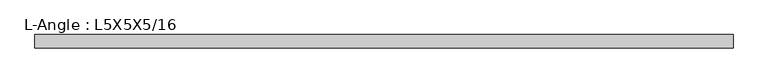
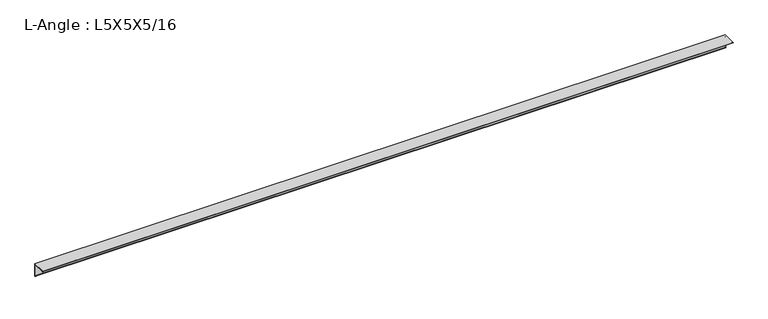
"""IFC4 building model written with IfcOpenShell, lengths in millimetres: beam geometry, L-Angle : L5X5X5/16."""

from ifc_helpers import new_model, si_unit, point, frame, frame_2d, origin, place, context, project, spatial, polyline, circle_curve, trimmed, segment, composite_curve, outline, extrude, source, transform, mapped, element, save


def l_angle_l5x5x5_16_d7f8a348(model_context):
    return source(origin(), model_context, "Body", "SweptSolid", [
        extrude(outline(composite_curve([segment(polyline([(34.3296875, 34.3296875), (34.3296875, -92.6703125)]), True, "CONTINUOUS"), segment(trimmed(circle_curve(frame_2d((34.3296875, -84.7328125)), 7.9375), [point((34.3296875, -92.6703125))], [point((26.3921875, -84.7328125))], False, "CARTESIAN"), True, "CONTINUOUS"), segment(polyline([(26.3921875, -84.7328125), (26.3921875, 18.4546875)]), True, "CONTINUOUS"), segment(trimmed(circle_curve(frame_2d((18.4546875, 18.4546875)), 7.9375), [point((26.3921875, 18.4546875))], [point((18.4546875, 26.3921875))], True, "CARTESIAN"), True, "CONTINUOUS"), segment(polyline([(18.4546875, 26.3921875), (-84.7328125, 26.3921875)]), True, "CONTINUOUS"), segment(trimmed(circle_curve(frame_2d((-84.7328125, 34.3296875)), 7.9375), [point((-84.7328125, 26.3921875))], [point((-92.6703125, 34.3296875))], False, "CARTESIAN"), True, "CONTINUOUS"), segment(polyline([(-92.6703125, 34.3296875), (34.3296875, 34.3296875)]), True, "CONTINUOUS")], self_intersect=False)), frame((-3310.9296875, 0.0, 0.0), z_axis=(1.0, 0.0, 0.0), x_axis=(0.0, 1.0, 0.0)), (0.0, 0.0, 1.0), 6621.859375),
    ])


if __name__ == "__main__":
    model = new_model("IFC4")
    model_context = context("Model", 3, world=origin())
    ifc_project = project(units=[si_unit("LENGTHUNIT", "METRE", prefix="MILLI")], contexts=[model_context])
    site = spatial("IfcSite", under=ifc_project)
    building = spatial("IfcBuilding", under=site)
    placement = place(None, origin())
    l_angle_l5x5x5_16_shape = l_angle_l5x5x5_16_d7f8a348(model_context)
    element("IfcBeam", 1, ObjectType="L-Angle : L5X5X5/16", at=placement, inside=building, context=model_context, shape_type="MappedRepresentation", body=[
        mapped(l_angle_l5x5x5_16_shape, transform((0.0, 0.0, 0.0), x_axis=(1.0, 0.0, 0.0), y_axis=(0.0, 1.0, 0.0), z_axis=(0.0, 0.0, 1.0))),
    ])
    save(model, "model.ifc")
